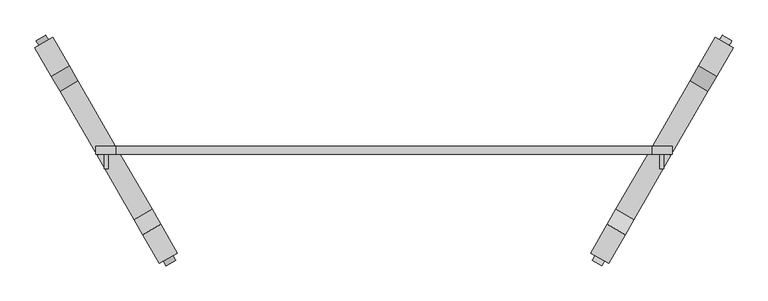
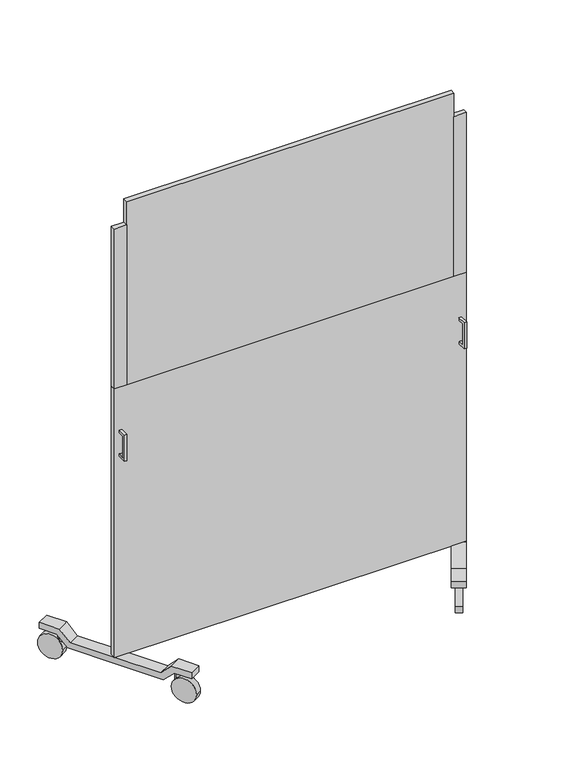
"""IFC4 building model written with IfcOpenShell, lengths in millimetres: proxy geometry."""

from ifc_helpers import new_model, si_unit, point, frame, frame_2d, origin, place, context, project, spatial, polyline, circle_curve, trimmed, segment, composite_curve, outline, extrude, source, transform, mapped, element, save


def specialty_equipment_da1d80ae(model_context):
    return source(origin(), model_context, "Body", "SweptSolid", [
        extrude(outline(polyline([(-20.0, 1050.0), (-20.0, 1040.0), (-45.0, 1040.0), (-45.0, 950.0), (-20.0, 950.0), (-20.0, 940.0), (-55.0, 940.0), (-55.0, 1050.0), (-20.0, 1050.0)])), frame((-680.0, 0.0, 0.0), z_axis=(1.0, 0.0, 0.0), x_axis=(0.0, 1.0, 0.0)), (0.0, 0.0, 1.0), 10.0),
        extrude(outline(polyline([(-20.0, 1050.0), (-20.0, 1040.0), (-45.0, 1040.0), (-45.0, 950.0), (-20.0, 950.0), (-20.0, 940.0), (-55.0, 940.0), (-55.0, 1050.0), (-20.0, 1050.0)])), frame((670.0, 0.0, 0.0), z_axis=(1.0, 0.0, 0.0), x_axis=(0.0, 1.0, 0.0)), (0.0, 0.0, 1.0), 10.0),
        extrude(outline(composite_curve([segment(trimmed(circle_curve(frame_2d((-791.390873, 191.5949055)), 10.0), [point((-782.7306189, 196.5949055))], [point((-800.051127, 186.5949055))], False, "CARTESIAN"), True, "CONTINUOUS"), segment(trimmed(circle_curve(frame_2d((-791.390873, 191.5949055)), 10.0), [point((-800.051127, 186.5949055))], [point((-782.7306189, 196.5949055))], False, "CARTESIAN"), True, "CONTINUOUS")], self_intersect=False)), frame((0.0, 0.0, 58.1995466), z_axis=(0.0, 0.0, 1.0), x_axis=(1.0, 0.0, 0.0)), (0.0, 0.0, 1.0), 60.1565938),
        extrude(outline(composite_curve([segment(trimmed(circle_curve(frame_2d((-558.609127, -211.5949055)), 10.0), [point((-549.948873, -206.5949055))], [point((-567.2693811, -216.5949055))], False, "CARTESIAN"), True, "CONTINUOUS"), segment(trimmed(circle_curve(frame_2d((-558.609127, -211.5949055)), 10.0), [point((-567.2693811, -216.5949055))], [point((-549.948873, -206.5949055))], False, "CARTESIAN"), True, "CONTINUOUS")], self_intersect=False)), frame((0.0, 0.0, 58.1995466), z_axis=(0.0, 0.0, 1.0), x_axis=(1.0, 0.0, 0.0)), (0.0, 0.0, 1.0), 60.1565938),
        extrude(outline(composite_curve([segment(trimmed(circle_curve(frame_2d((0.0, -50.0)), 50.0), [point((0.0, -100.0))], [point((0.0, 0.0))], False, "CARTESIAN"), True, "CONTINUOUS"), segment(trimmed(circle_curve(frame_2d((0.0, -50.0)), 50.0), [point((0.0, 0.0))], [point((0.0, -100.0))], False, "CARTESIAN"), True, "CONTINUOUS")], self_intersect=False)), frame((-529.1464558, -290.6327145, 50.0), z_axis=(0.8660254037844389, 0.4999999999999997, 0.0), x_axis=(0.0, 0.0, 1.0)), (0.0, 0.0, 1.0), 26.7098076),
        extrude(outline(composite_curve([segment(trimmed(circle_curve(frame_2d((0.0, -581.9236639)), 50.0), [point((0.0, -531.9236639))], [point((0.0, -631.9236639))], False, "CARTESIAN"), True, "CONTINUOUS"), segment(trimmed(circle_curve(frame_2d((0.0, -581.9236639)), 50.0), [point((0.0, -631.9236639))], [point((0.0, -531.9236639))], False, "CARTESIAN"), True, "CONTINUOUS")], self_intersect=False)), frame((-529.1464558, -290.6327145, 50.0), z_axis=(0.8660254037844389, 0.4999999999999997, 0.0), x_axis=(0.0, 0.0, 1.0)), (0.0, 0.0, 1.0), 26.7098076),
        extrude(outline(polyline([(-180.0, 0.0), (0.0, 0.0), (180.0, 0.0), (222.4264068, 42.4264068), (302.4264068, 42.4264068), (302.4264068, 17.4264068), (232.7817459, 17.4264068), (190.3553391, -25.0), (0.0, -25.0), (-190.3553391, -25.0), (-232.7817459, 17.4264068), (-302.4264068, 17.4264068), (-302.4264068, 42.4264068), (-222.4264068, 42.4264068), (-180.0, 0.0)])), frame((-696.6506351, -22.5, 100.9297335), z_axis=(0.8660254037844389, 0.4999999999999997, 0.0), x_axis=(-0.4999999999999997, 0.8660254037844389, 0.0)), (0.0, 0.0, 1.0), 50.0),
        extrude(outline(composite_curve([segment(trimmed(circle_curve(frame_2d((791.390873, 191.5949055)), 10.0), [point((782.7306189, 196.5949055))], [point((800.051127, 186.5949055))], False, "CARTESIAN"), True, "CONTINUOUS"), segment(trimmed(circle_curve(frame_2d((791.390873, 191.5949055)), 10.0), [point((800.051127, 186.5949055))], [point((782.7306189, 196.5949055))], False, "CARTESIAN"), True, "CONTINUOUS")], self_intersect=False)), frame((0.0, 0.0, 58.1995466), z_axis=(0.0, 0.0, 1.0), x_axis=(1.0, 0.0, 0.0)), (0.0, 0.0, 1.0), 60.1565938),
        extrude(outline(composite_curve([segment(trimmed(circle_curve(frame_2d((558.609127, -211.5949055)), 10.0), [point((549.948873, -206.5949055))], [point((567.2693811, -216.5949055))], False, "CARTESIAN"), True, "CONTINUOUS"), segment(trimmed(circle_curve(frame_2d((558.609127, -211.5949055)), 10.0), [point((567.2693811, -216.5949055))], [point((549.948873, -206.5949055))], False, "CARTESIAN"), True, "CONTINUOUS")], self_intersect=False)), frame((0.0, 0.0, 58.1995466), z_axis=(0.0, 0.0, 1.0), x_axis=(1.0, 0.0, 0.0)), (0.0, 0.0, 1.0), 60.1565938),
        extrude(outline(composite_curve([segment(trimmed(circle_curve(frame_2d((0.0, -50.0)), 50.0), [point((0.0, -100.0))], [point((0.0, 0.0))], False, "CARTESIAN"), True, "CONTINUOUS"), segment(trimmed(circle_curve(frame_2d((0.0, -50.0)), 50.0), [point((0.0, 0.0))], [point((0.0, -100.0))], False, "CARTESIAN"), True, "CONTINUOUS")], self_intersect=False)), frame((529.1464558, -290.6327145, 50.0), z_axis=(-0.866025403784439, 0.49999999999999944, 0.0), x_axis=(0.0, 0.0, -1.0)), (0.0, 0.0, 1.0), 26.7098076),
        extrude(outline(composite_curve([segment(trimmed(circle_curve(frame_2d((0.0, -581.9236639)), 50.0), [point((0.0, -531.9236639))], [point((0.0, -631.9236639))], False, "CARTESIAN"), True, "CONTINUOUS"), segment(trimmed(circle_curve(frame_2d((0.0, -581.9236639)), 50.0), [point((0.0, -631.9236639))], [point((0.0, -531.9236639))], False, "CARTESIAN"), True, "CONTINUOUS")], self_intersect=False)), frame((529.1464558, -290.6327145, 50.0), z_axis=(-0.866025403784439, 0.49999999999999944, 0.0), x_axis=(0.0, 0.0, -1.0)), (0.0, 0.0, 1.0), 26.7098076),
        extrude(outline(polyline([(0.0, 0.0), (59.9999999, 0.0), (116.5685424, -56.5685425), (98.8908729, -74.246212), (49.6446609, -25.0), (-10.3553391, -25.0), (-144.9568902, 109.6015511), (-279.5584412, 244.2031022), (-279.5584413, 304.2031021), (-328.8046533, 353.4493141), (-311.1269838, 371.1269837), (-254.5584413, 314.5584412), (-254.5584413, 254.5584413), (-127.2792206, 127.2792206), (0.0, 0.0)])), frame((606.6506351, -178.3845727, 100.9297335), z_axis=(-0.866025403784439, 0.4999999999999995, 0.0), x_axis=(-0.3535533905932723, -0.6123724356957929, 0.7071067811865497)), (0.0, 0.0, 1.0), 50.0),
        extrude(outline(polyline([(-650.0, -20.0), (-700.0, -20.0), (-700.0, 0.0), (-650.0, 0.0), (-650.0, -20.0)])), frame((0.0, 0.0, 1230.0), z_axis=(0.0, 0.0, 1.0), x_axis=(1.0, 0.0, 0.0)), (0.0, 0.0, 1.0), 671.9027135),
        extrude(outline(polyline([(700.0, -20.0), (650.0, -20.0), (650.0, 0.0), (700.0, 0.0), (700.0, -20.0)])), frame((0.0, 0.0, 1230.0), z_axis=(0.0, 0.0, 1.0), x_axis=(1.0, 0.0, 0.0)), (0.0, 0.0, 1.0), 671.9027135),
        extrude(outline(polyline([(650.0, -20.0), (-650.0, -20.0), (-650.0, 0.0), (650.0, 0.0), (650.0, -20.0)])), frame((0.0, 0.0, 1230.0), z_axis=(0.0, 0.0, 1.0), x_axis=(1.0, 0.0, 0.0)), (0.0, 0.0, 1.0), 770.0),
        extrude(outline(polyline([(700.0, -20.0), (-700.0, -20.0), (-700.0, 0.0), (700.0, 0.0), (700.0, -20.0)])), frame((0.0, 0.0, 100.9297335), z_axis=(0.0, 0.0, 1.0), x_axis=(1.0, 0.0, 0.0)), (0.0, 0.0, 1.0), 1129.0702665),
    ])


if __name__ == "__main__":
    model = new_model("IFC4")
    model_context = context("Model", 3, world=origin())
    ifc_project = project(units=[si_unit("LENGTHUNIT", "METRE", prefix="MILLI")], contexts=[model_context])
    site = spatial("IfcSite", under=ifc_project)
    building = spatial("IfcBuilding", under=site)
    placement = place(None, origin())
    specialty_equipment_shape = specialty_equipment_da1d80ae(model_context)
    element("IfcBuildingElementProxy", 1, Name="Specialty Equipment", at=placement, inside=building, context=model_context, shape_type="MappedRepresentation", body=[
        mapped(specialty_equipment_shape, transform((0.0, 0.0, 0.0), x_axis=(1.0, 0.0, 0.0), y_axis=(0.0, 1.0, 0.0), z_axis=(0.0, 0.0, 1.0))),
    ])
    save(model, "model.ifc")
